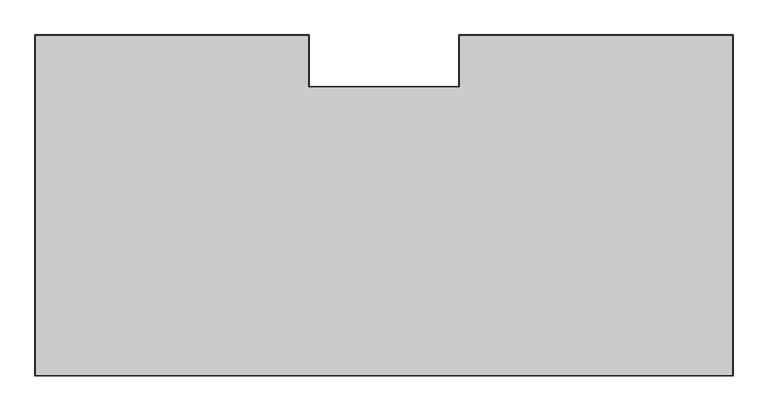
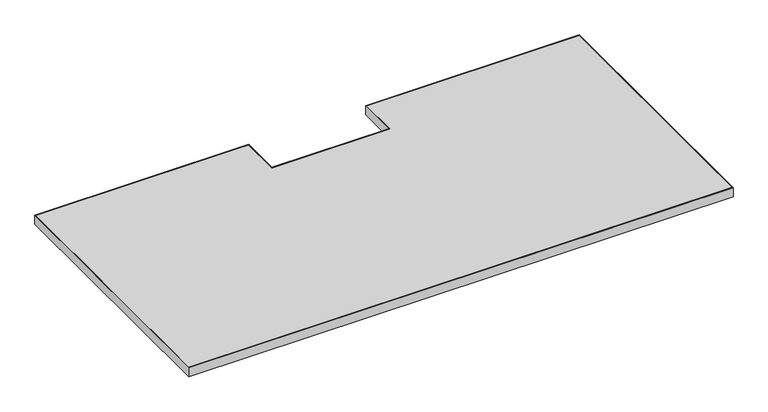
"""IFC4 building model written with IfcOpenShell, lengths in millimetres: furniture geometry."""

from ifc_helpers import new_model, si_unit, frame, origin, place, context, project, spatial, polyline, outline, extrude, source, transform, mapped, element, save


def furniture_a3178dee(model_context):
    return source(origin(), model_context, "Body", "SweptSolid", [
        extrude(outline(polyline([(1520.9520029, -14.9860005), (1520.9520029, -758.8250121), (0.0, -758.8250121), (0.0, -14.9860005), (597.2301952, -14.9860005), (597.2301952, -127.4318041), (923.7218078, -127.4318041), (923.7218078, -14.9860005), (1520.9520029, -14.9860005)]), holes=[polyline([(1.6002, -16.5862005), (1.6002, -757.2248121), (1519.3518029, -757.2248121), (1519.3518029, -16.5862005), (925.3220078, -16.5862005), (925.3220078, -129.0320041), (595.6299952, -129.0320041), (595.6299952, -16.5862005), (1.6002, -16.5862005)])]), frame((0.0, 0.0, 697.23), z_axis=(0.0, 0.0, 1.0), x_axis=(1.0, 0.0, 0.0)), (0.0, 0.0, 1.0), 26.67),
        extrude(outline(polyline([(595.6299952, -16.5862005), (595.6299952, -129.0320041), (925.3220078, -129.0320041), (925.3220078, -16.5862005), (1519.3518029, -16.5862005), (1519.3518029, -757.2248121), (1.6002, -757.2248121), (1.6002, -16.5862005), (595.6299952, -16.5862005)])), frame((0.0, 0.0, 697.2299709), z_axis=(0.0, 0.0, 1.0), x_axis=(1.0, 0.0, 0.0)), (0.0, 0.0, 1.0), 26.6700291),
    ])


if __name__ == "__main__":
    model = new_model("IFC4")
    model_context = context("Model", 3, world=origin())
    ifc_project = project(units=[si_unit("LENGTHUNIT", "METRE", prefix="MILLI")], contexts=[model_context])
    site = spatial("IfcSite", under=ifc_project)
    building = spatial("IfcBuilding", under=site)
    placement = place(None, origin())
    furniture_shape = furniture_a3178dee(model_context)
    element("IfcFurniture", 1, at=placement, inside=building, context=model_context, shape_type="MappedRepresentation", body=[
        mapped(furniture_shape, transform((0.0, 0.0, 0.0), x_axis=(1.0, 0.0, 0.0), y_axis=(0.0, 1.0, 0.0), z_axis=(0.0, 0.0, 1.0))),
    ])
    save(model, "model.ifc")
